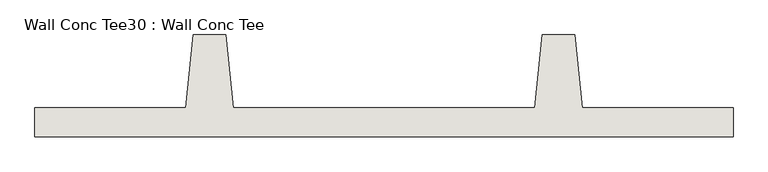
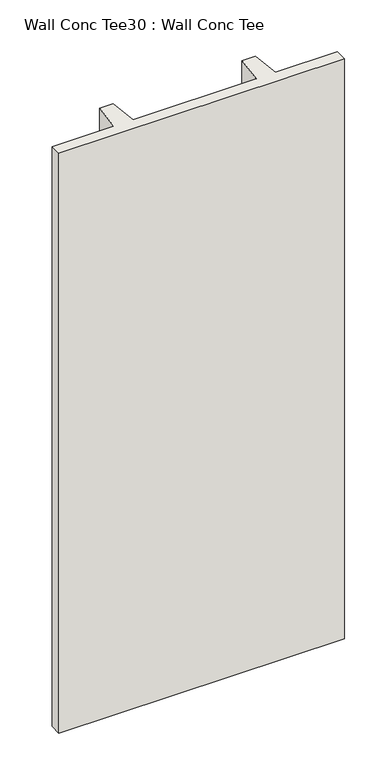
"""IFC4 building model written with IfcOpenShell, lengths in millimetres: wall geometry, Wall Conc Tee30 : Wall Conc Tee."""

from ifc_helpers import new_model, si_unit, frame, origin, place, context, project, spatial, polyline, outline, extrude, source, transform, mapped, element, save


def wall_conc_tee30_wall_conc_tee_289a2e1e(model_context):
    return source(origin(), model_context, "Body", "SweptSolid", [
        extrude(outline(polyline([(207734.6728488, 193104.2596581), (205296.2728488, 193104.2596581), (205296.2728488, 193205.8596581), (205823.3228488, 193205.8596581), (205848.7228488, 193459.8596581), (205963.0228488, 193459.8596581), (205988.4228488, 193205.8596581), (207042.5228488, 193205.8596581), (207067.9228488, 193459.8596581), (207182.2228488, 193459.8596581), (207207.6228488, 193205.8596581), (207734.6728488, 193205.8596581), (207734.6728488, 193104.2596581)])), frame((0.0, 0.0, 143.7592564), z_axis=(0.0, 0.0, 1.0), x_axis=(1.0, 0.0, 0.0)), (0.0, 0.0, 1.0), 5232.4087123),
    ])


if __name__ == "__main__":
    model = new_model("IFC4")
    model_context = context("Model", 3, world=origin())
    ifc_project = project(units=[si_unit("LENGTHUNIT", "METRE", prefix="MILLI")], contexts=[model_context])
    site = spatial("IfcSite", under=ifc_project)
    building = spatial("IfcBuilding", under=site)
    placement = place(None, origin())
    wall_conc_tee30_wall_conc_tee_shape = wall_conc_tee30_wall_conc_tee_289a2e1e(model_context)
    element("IfcWall", 1, ObjectType="Wall Conc Tee30 : Wall Conc Tee", at=placement, inside=building, context=model_context, shape_type="MappedRepresentation", body=[
        mapped(wall_conc_tee30_wall_conc_tee_shape, transform((0.0, 0.0, 0.0), x_axis=(1.0, 0.0, 0.0), y_axis=(0.0, 1.0, 0.0), z_axis=(0.0, 0.0, 1.0))),
    ])
    save(model, "model.ifc")
